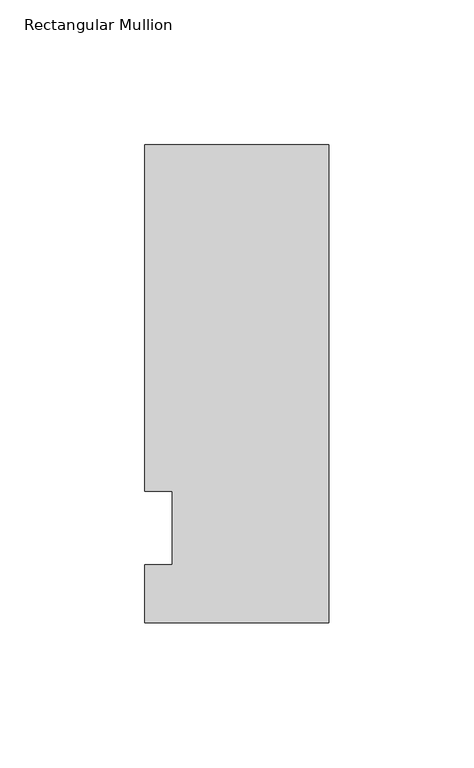
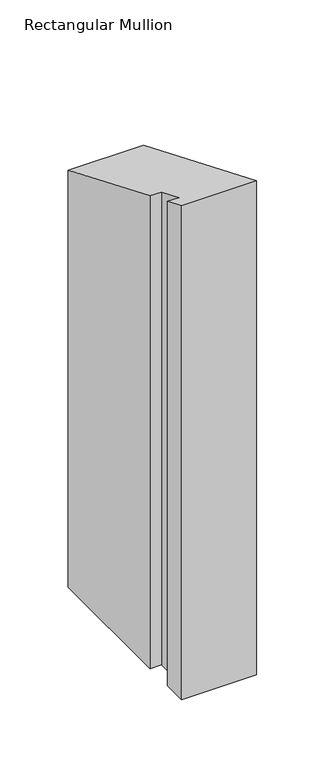
"""IFC4 building model written with IfcOpenShell, lengths in millimetres: member geometry, Rectangular Mullion."""

import ifcopenshell
import ifcopenshell.guid

model = None  # the IFC model being written
_history = None  # IfcOwnerHistory: only IFC2X3 demands one
_inside = {}  # id of a spatial element -> (the spatial element, [elements in it])
_under = {}  # id of a project, library or spatial element -> (it, [spatial elements below it])
_declared = {}  # id of a project -> (the project, [libraries it declares])
_typed = {}  # id of a type object -> (the type object, [elements of that type])
_made_of = {}  # id of a material, layer set ... -> (it, [elements and type objects made of it])


def new_model(schema):
    """Start an empty IFC model of exactly this schema.

    Asked for "IFC4X3", IfcOpenShell would pick the latest addendum, in which some entities
    have other attributes; the version numbers below select the first issue.
    IFC2X3 requires an IfcOwnerHistory on every rooted entity: one is made here for all.
    """
    global model, _history
    if schema == "IFC4X3":
        model = ifcopenshell.file(schema_version=(4, 3, 0, 0))
    else:
        model = ifcopenshell.file(schema=schema)
    _inside.clear()
    _under.clear()
    _declared.clear()
    _typed.clear()
    _made_of.clear()
    _history = None
    if model.schema == "IFC2X3":
        org = make("IfcOrganization", Name="unknown")
        user = make(
            "IfcPersonAndOrganization",
            ThePerson=make("IfcPerson", FamilyName="unknown"),
            TheOrganization=org,
        )
        app = make(
            "IfcApplication",
            ApplicationDeveloper=org,
            Version="unknown",
            ApplicationFullName="unknown",
            ApplicationIdentifier="unknown",
        )
        _history = make(
            "IfcOwnerHistory",
            OwningUser=user,
            OwningApplication=app,
            ChangeAction="ADDED",
            CreationDate=0,
        )
    return model


def make(cls, **values):
    """One entity of the class cls with the attributes given. An attribute that is None is left unset."""
    return model.create_entity(
        cls, **{name: value for name, value in values.items() if value is not None}
    )


def rooted(cls, **values):
    """An entity with a GlobalId (a new one), such as an element, a storey or a relation."""
    return make(cls, GlobalId=ifcopenshell.guid.new(), OwnerHistory=_history, **values)


def si_unit(unit_type, name, prefix=None):
    """IfcSIUnit, for example si_unit("LENGTHUNIT", "METRE", prefix="MILLI")."""
    return make("IfcSIUnit", UnitType=unit_type, Prefix=prefix, Name=name)


def assignment(units):
    """IfcUnitAssignment: the units of a project."""
    return None if units is None else make("IfcUnitAssignment", Units=units)


def point(xyz):
    """IfcCartesianPoint."""
    return None if xyz is None else make("IfcCartesianPoint", Coordinates=xyz)


def direction(xyz):
    """IfcDirection."""
    return None if xyz is None else make("IfcDirection", DirectionRatios=xyz)


def frame(location, z_axis=None, x_axis=None):
    """IfcAxis2Placement3D, a coordinate frame: its origin and axes. An axis left out is left unset."""
    return make(
        "IfcAxis2Placement3D",
        Location=point(location),
        Axis=direction(z_axis),
        RefDirection=direction(x_axis),
    )


def origin():
    """The frame at (0, 0, 0) with its axes left unset."""
    return frame((0.0, 0.0, 0.0))


def place(relative_to, where):
    """IfcLocalPlacement: puts the frame where relative to a parent placement (None: the world)."""
    return make(
        "IfcLocalPlacement", PlacementRelTo=relative_to, RelativePlacement=where
    )


def context(
    kind, dimensions, precision=None, world=None, true_north=None, identifier=None
):
    """IfcGeometricRepresentationContext, for example the 3D "Model" context."""
    return make(
        "IfcGeometricRepresentationContext",
        ContextIdentifier=identifier,
        ContextType=kind,
        CoordinateSpaceDimension=dimensions,
        Precision=precision,
        WorldCoordinateSystem=world,
        TrueNorth=true_north,
    )


def project(units=None, contexts=None):
    """IfcProject with its units and contexts."""
    return rooted(
        "IfcProject",
        Name="project",
        RepresentationContexts=contexts,
        UnitsInContext=assignment(units),
    )


def spatial(cls, under=None, at=None, **own):
    """A site, building, storey or space (cls), placed at a placement, below another one or the project."""
    s = rooted(cls, ObjectPlacement=at, **own)
    if under is not None:
        _under.setdefault(under.id(), (under, []))[1].append(s)
    return s


def faces_of(points, faces, orient=None, outer=None):
    """IfcFace entities. A face is a list of loops; a loop is a list of indices into points, from 0.

    orient and outer hold one flag for each loop. By default every Orientation is true, the
    first loop of a face is its IfcFaceOuterBound and the others are IfcFaceBound.
    """
    made = []
    for i, loops in enumerate(faces):
        bounds = []
        for j, loop in enumerate(loops):
            is_outer = j == 0 if outer is None else outer[i][j]
            bounds.append(
                make(
                    "IfcFaceOuterBound" if is_outer else "IfcFaceBound",
                    Bound=make("IfcPolyLoop", Polygon=[points[k] for k in loop]),
                    Orientation=True if orient is None else orient[i][j],
                )
            )
        made.append(make("IfcFace", Bounds=bounds))
    return made


def faceted_brep(points, faces, orient=None, outer=None, voids=None):
    """IfcFacetedBrep: a solid bounded by flat faces; with voids (closed shells), ...WithVoids."""
    shared = [point(p) for p in points]
    hull = make("IfcClosedShell", CfsFaces=faces_of(shared, faces, orient, outer))
    if voids is None:
        return make("IfcFacetedBrep", Outer=hull)
    return make(
        "IfcFacetedBrepWithVoids",
        Outer=hull,
        Voids=[
            make(cls, CfsFaces=faces_of(shared, fs, o, b)) for cls, fs, o, b in voids
        ],
    )


def shape(context_of_items, identifier, shape_type, items):
    """IfcShapeRepresentation: the items that make up one representation, for example the "Body"."""
    return make(
        "IfcShapeRepresentation",
        ContextOfItems=context_of_items,
        RepresentationIdentifier=identifier,
        RepresentationType=shape_type,
        Items=items,
    )


def source(mapping_origin, context_of_items, identifier, shape_type, items):
    """IfcRepresentationMap: a shape defined once, which mapped items show again and again."""
    return make(
        "IfcRepresentationMap",
        MappingOrigin=mapping_origin,
        MappedRepresentation=shape(context_of_items, identifier, shape_type, items),
    )


def transform(
    local_origin,
    x_axis=None,
    y_axis=None,
    z_axis=None,
    scale=None,
    scale2=None,
    scale3=None,
    uniform=True,
):
    """IfcCartesianTransformationOperator3D, or its non-uniform kind. x_axis, y_axis, z_axis: its Axis1, 2, 3."""
    if uniform:
        return make(
            "IfcCartesianTransformationOperator3D",
            Axis1=direction(x_axis),
            Axis2=direction(y_axis),
            LocalOrigin=point(local_origin),
            Scale=scale,
            Axis3=direction(z_axis),
        )
    return make(
        "IfcCartesianTransformationOperator3DnonUniform",
        Axis1=direction(x_axis),
        Axis2=direction(y_axis),
        LocalOrigin=point(local_origin),
        Scale=scale,
        Axis3=direction(z_axis),
        Scale2=scale2,
        Scale3=scale3,
    )


def mapped(mapping_source, mapping_target):
    """IfcMappedItem: shows the shape of a source again, moved by a transform."""
    return make(
        "IfcMappedItem", MappingSource=mapping_source, MappingTarget=mapping_target
    )


def made_of(thing, what):
    """Note that an element or type object is made of a material, layer set ...; save() writes the relation."""
    if what is not None:
        _made_of.setdefault(what.id(), (what, []))[1].append(thing)
    return thing


def element(
    cls,
    number,
    at=None,
    inside=None,
    cuts=None,
    type_object=None,
    material=None,
    context=None,
    identifier="Body",
    shape_type=None,
    held_by="IfcProductDefinitionShape",
    body=None,
    shapes=None,
    **own,
):
    """One element of the class cls, such as IfcWall. Its Tag is "e" and its number.

    at: its placement. inside: the storey or other place that contains it. cuts: it is an
    opening in that element (IfcRelVoidsElement). A single representation is given by context,
    identifier, shape_type and body (its items); several are given by shapes. held_by: the class
    of the entity that holds the representations. save() writes the other relations.
    """
    e = rooted(cls, Tag="e%d" % number, ObjectPlacement=at, **own)
    if body is not None:
        shapes = [shape(context, identifier, shape_type, body)]
    if shapes is not None:
        e.Representation = make(held_by, Representations=shapes)
    if inside is not None:
        _inside.setdefault(inside.id(), (inside, []))[1].append(e)
    if cuts is not None:
        rooted(
            "IfcRelVoidsElement", RelatingBuildingElement=cuts, RelatedOpeningElement=e
        )
    if type_object is not None:
        _typed.setdefault(type_object.id(), (type_object, []))[1].append(e)
    return made_of(e, material)


def aggregate(whole, parts):
    """IfcRelAggregates: a whole, such as a stair, and the parts it consists of."""
    return rooted("IfcRelAggregates", RelatingObject=whole, RelatedObjects=parts)


def save(model, path):
    """Write the relations noted so far, then the file.

    IfcRelAggregates (storeys below a building ...), IfcRelContainedInSpatialStructure (elements
    in a storey), IfcRelDefinesByType, IfcRelAssociatesMaterial and IfcRelDeclares: one each for
    every whole, place, type object, material and project.
    """
    for whole, parts in _under.values():
        aggregate(whole, parts)
    for where, things in _inside.values():
        rooted(
            "IfcRelContainedInSpatialStructure",
            RelatedElements=things,
            RelatingStructure=where,
        )
    for kind, things in _typed.values():
        rooted("IfcRelDefinesByType", RelatedObjects=things, RelatingType=kind)
    for what, things in _made_of.values():
        rooted("IfcRelAssociatesMaterial", RelatedObjects=things, RelatingMaterial=what)
    for by, libraries in _declared.values():
        rooted("IfcRelDeclares", RelatingContext=by, RelatedDefinitions=libraries)
    model.write(path)


def rectangular_mullion_ed42a942(model_context):
    return source(origin(), model_context, "Body", "Brep", [
        faceted_brep([(0.0, -20.0421875, 8.3017459), (-63.5, -20.0421875, 8.3017459), (-63.5, -20.0421875, -431.8), (0.0, -20.0421875, -431.8), (0.0, 145.0578125, -60.0849133), (0.0, 145.0578125, -431.8), (-63.5, 145.0578125, -60.0849133), (-63.5, 145.0578125, -431.8), (-63.5, 25.4, -10.5210245), (-63.5, 25.4, -431.8), (-53.975, 25.4, -10.5210245), (-53.975, 25.4, -431.8), (-53.975, 0.0, 0.0), (-53.975, 0.0, -431.8), (-63.5, 0.0, 0.0), (-63.5, 0.0, -431.8)], [[[0, 1, 2, 3]], [[4, 0, 3, 5]], [[6, 4, 5, 7]], [[8, 6, 7, 9]], [[10, 8, 9, 11]], [[12, 10, 11, 13]], [[14, 12, 13, 15]], [[1, 14, 15, 2]], [[1, 0, 4, 6, 8, 10, 12, 14]], [[2, 15, 13, 11, 9, 7, 5, 3]]]),
    ])


if __name__ == "__main__":
    model = new_model("IFC4")
    model_context = context("Model", 3, world=origin())
    ifc_project = project(units=[si_unit("LENGTHUNIT", "METRE", prefix="MILLI")], contexts=[model_context])
    site = spatial("IfcSite", under=ifc_project)
    building = spatial("IfcBuilding", under=site)
    placement = place(None, origin())
    rectangular_mullion_shape = rectangular_mullion_ed42a942(model_context)
    element("IfcMember", 1, ObjectType="Rectangular Mullion", at=placement, inside=building, context=model_context, shape_type="MappedRepresentation", body=[
        mapped(rectangular_mullion_shape, transform((0.0, 0.0, 0.0), x_axis=(1.0, 0.0, 0.0), y_axis=(0.0, 1.0, 0.0), z_axis=(0.0, 0.0, 1.0))),
    ])
    save(model, "model.ifc")
